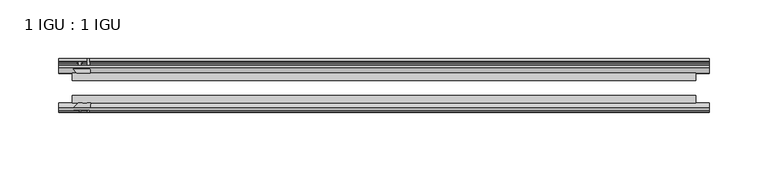
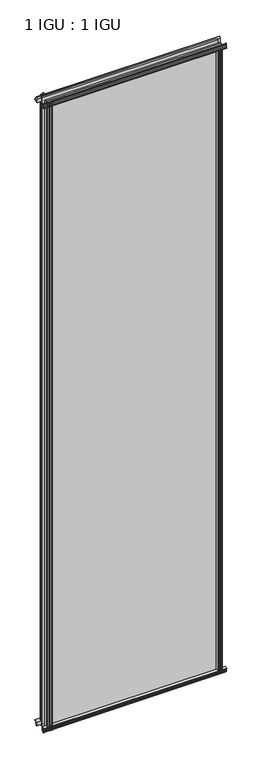
"""IFC4 building model written with IfcOpenShell, lengths in millimetres: plate geometry, 1 IGU : 1 IGU."""

import ifcopenshell
import ifcopenshell.guid

model = None  # the IFC model being written
_history = None  # IfcOwnerHistory: only IFC2X3 demands one
_inside = {}  # id of a spatial element -> (the spatial element, [elements in it])
_under = {}  # id of a project, library or spatial element -> (it, [spatial elements below it])
_declared = {}  # id of a project -> (the project, [libraries it declares])
_typed = {}  # id of a type object -> (the type object, [elements of that type])
_made_of = {}  # id of a material, layer set ... -> (it, [elements and type objects made of it])


def new_model(schema):
    """Start an empty IFC model of exactly this schema.

    Asked for "IFC4X3", IfcOpenShell would pick the latest addendum, in which some entities
    have other attributes; the version numbers below select the first issue.
    IFC2X3 requires an IfcOwnerHistory on every rooted entity: one is made here for all.
    """
    global model, _history
    if schema == "IFC4X3":
        model = ifcopenshell.file(schema_version=(4, 3, 0, 0))
    else:
        model = ifcopenshell.file(schema=schema)
    _inside.clear()
    _under.clear()
    _declared.clear()
    _typed.clear()
    _made_of.clear()
    _history = None
    if model.schema == "IFC2X3":
        org = make("IfcOrganization", Name="unknown")
        user = make(
            "IfcPersonAndOrganization",
            ThePerson=make("IfcPerson", FamilyName="unknown"),
            TheOrganization=org,
        )
        app = make(
            "IfcApplication",
            ApplicationDeveloper=org,
            Version="unknown",
            ApplicationFullName="unknown",
            ApplicationIdentifier="unknown",
        )
        _history = make(
            "IfcOwnerHistory",
            OwningUser=user,
            OwningApplication=app,
            ChangeAction="ADDED",
            CreationDate=0,
        )
    return model


def make(cls, **values):
    """One entity of the class cls with the attributes given. An attribute that is None is left unset."""
    return model.create_entity(
        cls, **{name: value for name, value in values.items() if value is not None}
    )


def rooted(cls, **values):
    """An entity with a GlobalId (a new one), such as an element, a storey or a relation."""
    return make(cls, GlobalId=ifcopenshell.guid.new(), OwnerHistory=_history, **values)


def si_unit(unit_type, name, prefix=None):
    """IfcSIUnit, for example si_unit("LENGTHUNIT", "METRE", prefix="MILLI")."""
    return make("IfcSIUnit", UnitType=unit_type, Prefix=prefix, Name=name)


def assignment(units):
    """IfcUnitAssignment: the units of a project."""
    return None if units is None else make("IfcUnitAssignment", Units=units)


def point(xyz):
    """IfcCartesianPoint."""
    return None if xyz is None else make("IfcCartesianPoint", Coordinates=xyz)


def direction(xyz):
    """IfcDirection."""
    return None if xyz is None else make("IfcDirection", DirectionRatios=xyz)


def frame(location, z_axis=None, x_axis=None):
    """IfcAxis2Placement3D, a coordinate frame: its origin and axes. An axis left out is left unset."""
    return make(
        "IfcAxis2Placement3D",
        Location=point(location),
        Axis=direction(z_axis),
        RefDirection=direction(x_axis),
    )


def frame_2d(location, x_axis=None):
    """IfcAxis2Placement2D, a coordinate frame in the plane: its origin and x axis."""
    return make(
        "IfcAxis2Placement2D", Location=point(location), RefDirection=direction(x_axis)
    )


def origin():
    """The frame at (0, 0, 0) with its axes left unset."""
    return frame((0.0, 0.0, 0.0))


def origin_with_axes():
    """The frame at (0, 0, 0) with the z axis (0, 0, 1) and the x axis (1, 0, 0) written out."""
    return frame((0.0, 0.0, 0.0), z_axis=(0.0, 0.0, 1.0), x_axis=(1.0, 0.0, 0.0))


def place(relative_to, where):
    """IfcLocalPlacement: puts the frame where relative to a parent placement (None: the world)."""
    return make(
        "IfcLocalPlacement", PlacementRelTo=relative_to, RelativePlacement=where
    )


def context(
    kind, dimensions, precision=None, world=None, true_north=None, identifier=None
):
    """IfcGeometricRepresentationContext, for example the 3D "Model" context."""
    return make(
        "IfcGeometricRepresentationContext",
        ContextIdentifier=identifier,
        ContextType=kind,
        CoordinateSpaceDimension=dimensions,
        Precision=precision,
        WorldCoordinateSystem=world,
        TrueNorth=true_north,
    )


def project(units=None, contexts=None):
    """IfcProject with its units and contexts."""
    return rooted(
        "IfcProject",
        Name="project",
        RepresentationContexts=contexts,
        UnitsInContext=assignment(units),
    )


def spatial(cls, under=None, at=None, **own):
    """A site, building, storey or space (cls), placed at a placement, below another one or the project."""
    s = rooted(cls, ObjectPlacement=at, **own)
    if under is not None:
        _under.setdefault(under.id(), (under, []))[1].append(s)
    return s


def polyline(points):
    """IfcPolyline through the points."""
    return make("IfcPolyline", Points=[point(p) for p in points])


def circle_curve(where, radius):
    """IfcCircle in the frame where."""
    return make("IfcCircle", Position=where, Radius=radius)


def trimmed(basis, trim1, trim2, sense, master):
    """IfcTrimmedCurve: the piece of a basis curve between two trims."""
    return make(
        "IfcTrimmedCurve",
        BasisCurve=basis,
        Trim1=trim1,
        Trim2=trim2,
        SenseAgreement=sense,
        MasterRepresentation=master,
    )


def segment(curve, same_sense, transition):
    """IfcCompositeCurveSegment."""
    return make(
        "IfcCompositeCurveSegment",
        Transition=transition,
        SameSense=same_sense,
        ParentCurve=curve,
    )


def composite_curve(segments, self_intersect=None):
    """IfcCompositeCurve: segments joined end to end."""
    return make("IfcCompositeCurve", Segments=segments, SelfIntersect=self_intersect)


def outline(outer, holes=None, kind="AREA"):
    """IfcArbitraryClosedProfileDef: a profile drawn as a closed curve; with holes, ...WithVoids."""
    if holes is None:
        return make("IfcArbitraryClosedProfileDef", ProfileType=kind, OuterCurve=outer)
    return make(
        "IfcArbitraryProfileDefWithVoids",
        ProfileType=kind,
        OuterCurve=outer,
        InnerCurves=holes,
    )


def extrude(swept, where, along, depth):
    """IfcExtrudedAreaSolid: the profile swept, set in the frame where, extruded along a direction by depth."""
    return make(
        "IfcExtrudedAreaSolid",
        SweptArea=swept,
        Position=where,
        ExtrudedDirection=direction(along),
        Depth=depth,
    )


def shape(context_of_items, identifier, shape_type, items):
    """IfcShapeRepresentation: the items that make up one representation, for example the "Body"."""
    return make(
        "IfcShapeRepresentation",
        ContextOfItems=context_of_items,
        RepresentationIdentifier=identifier,
        RepresentationType=shape_type,
        Items=items,
    )


def source(mapping_origin, context_of_items, identifier, shape_type, items):
    """IfcRepresentationMap: a shape defined once, which mapped items show again and again."""
    return make(
        "IfcRepresentationMap",
        MappingOrigin=mapping_origin,
        MappedRepresentation=shape(context_of_items, identifier, shape_type, items),
    )


def transform(
    local_origin,
    x_axis=None,
    y_axis=None,
    z_axis=None,
    scale=None,
    scale2=None,
    scale3=None,
    uniform=True,
):
    """IfcCartesianTransformationOperator3D, or its non-uniform kind. x_axis, y_axis, z_axis: its Axis1, 2, 3."""
    if uniform:
        return make(
            "IfcCartesianTransformationOperator3D",
            Axis1=direction(x_axis),
            Axis2=direction(y_axis),
            LocalOrigin=point(local_origin),
            Scale=scale,
            Axis3=direction(z_axis),
        )
    return make(
        "IfcCartesianTransformationOperator3DnonUniform",
        Axis1=direction(x_axis),
        Axis2=direction(y_axis),
        LocalOrigin=point(local_origin),
        Scale=scale,
        Axis3=direction(z_axis),
        Scale2=scale2,
        Scale3=scale3,
    )


def mapped(mapping_source, mapping_target):
    """IfcMappedItem: shows the shape of a source again, moved by a transform."""
    return make(
        "IfcMappedItem", MappingSource=mapping_source, MappingTarget=mapping_target
    )


def made_of(thing, what):
    """Note that an element or type object is made of a material, layer set ...; save() writes the relation."""
    if what is not None:
        _made_of.setdefault(what.id(), (what, []))[1].append(thing)
    return thing


def element(
    cls,
    number,
    at=None,
    inside=None,
    cuts=None,
    type_object=None,
    material=None,
    context=None,
    identifier="Body",
    shape_type=None,
    held_by="IfcProductDefinitionShape",
    body=None,
    shapes=None,
    **own,
):
    """One element of the class cls, such as IfcWall. Its Tag is "e" and its number.

    at: its placement. inside: the storey or other place that contains it. cuts: it is an
    opening in that element (IfcRelVoidsElement). A single representation is given by context,
    identifier, shape_type and body (its items); several are given by shapes. held_by: the class
    of the entity that holds the representations. save() writes the other relations.
    """
    e = rooted(cls, Tag="e%d" % number, ObjectPlacement=at, **own)
    if body is not None:
        shapes = [shape(context, identifier, shape_type, body)]
    if shapes is not None:
        e.Representation = make(held_by, Representations=shapes)
    if inside is not None:
        _inside.setdefault(inside.id(), (inside, []))[1].append(e)
    if cuts is not None:
        rooted(
            "IfcRelVoidsElement", RelatingBuildingElement=cuts, RelatedOpeningElement=e
        )
    if type_object is not None:
        _typed.setdefault(type_object.id(), (type_object, []))[1].append(e)
    return made_of(e, material)


def aggregate(whole, parts):
    """IfcRelAggregates: a whole, such as a stair, and the parts it consists of."""
    return rooted("IfcRelAggregates", RelatingObject=whole, RelatedObjects=parts)


def save(model, path):
    """Write the relations noted so far, then the file.

    IfcRelAggregates (storeys below a building ...), IfcRelContainedInSpatialStructure (elements
    in a storey), IfcRelDefinesByType, IfcRelAssociatesMaterial and IfcRelDeclares: one each for
    every whole, place, type object, material and project.
    """
    for whole, parts in _under.values():
        aggregate(whole, parts)
    for where, things in _inside.values():
        rooted(
            "IfcRelContainedInSpatialStructure",
            RelatedElements=things,
            RelatingStructure=where,
        )
    for kind, things in _typed.values():
        rooted("IfcRelDefinesByType", RelatedObjects=things, RelatingType=kind)
    for what, things in _made_of.values():
        rooted("IfcRelAssociatesMaterial", RelatedObjects=things, RelatingMaterial=what)
    for by, libraries in _declared.values():
        rooted("IfcRelDeclares", RelatingContext=by, RelatedDefinitions=libraries)
    model.write(path)


def plate_1_igu_1_igu_e53e3691(model_context):
    return source(origin(), model_context, "Body", "SweptSolid", [
        extrude(outline(polyline([(-24.9039062, 2.5763839), (-12.2039062, 1.5739665), (-12.2039062, 0.0), (-18.5539062, 0.0), (-18.5539062, -4.953), (-16.254502, -5.5691235), (-16.6301757, -4.1670901), (-15.7714677, -3.937), (-15.1249062, -6.35), (-15.7714677, -8.763), (-16.6301757, -8.5329099), (-16.254502, -7.1308765), (-18.5539062, -7.747), (-18.5539062, -12.7), (-20.5859062, -12.7), (-24.9039062, -9.1036931), (-24.9039062, 2.5763839)])), frame((-278.0153585, 0.0, 0.0), z_axis=(1.0, 0.0, 0.0), x_axis=(0.0, 1.0, 0.0)), (0.0, 0.0, 1.0), 556.030717),
        extrude(outline(composite_curve([segment(polyline([(-58.2287402, 1.5687054), (-50.3039062, 3.0983599), (-50.3039062, -7.92383), (-54.4858806, -12.1058044)]), True, "CONTINUOUS"), segment(trimmed(circle_curve(frame_2d((-55.3839062, -11.2077788)), 1.27), [point((-54.4858806, -12.1058044))], [point((-56.6539062, -11.2077788))], False, "CARTESIAN"), True, "CONTINUOUS"), segment(polyline([(-56.6539062, -11.2077788), (-56.6539062, -8.0327788), (-58.1332022, -5.4488186), (-56.6539062, -5.1879788), (-56.6539062, 0.2222212), (-58.2287402, 0.0), (-58.2287402, 1.5687054)]), True, "CONTINUOUS")], self_intersect=False)), frame((-278.0153585, 0.0, 0.0), z_axis=(1.0, 0.0, 0.0), x_axis=(0.0, 1.0, 0.0)), (0.0, 0.0, 1.0), 556.030717),
        extrude(outline(polyline([(-18.5539063, 2001.656525), (-16.254502, 2001.0404015), (-16.6301757, 2002.4424349), (-15.7714677, 2002.672525), (-15.1249063, 2000.259525), (-15.7714677, 1997.846525), (-16.6301757, 1998.0766151), (-16.254502, 1999.4786485), (-18.5539063, 1998.862525), (-18.5539063, 1993.909525), (-12.2039062, 1993.909525), (-12.2039062, 1992.3355585), (-24.9039063, 1991.3331411), (-24.9039063, 2003.0132181), (-20.5859063, 2006.609525), (-18.5539063, 2006.609525), (-18.5539063, 2001.656525)])), frame((-278.0153585, 0.0, 0.0), z_axis=(1.0, 0.0, 0.0), x_axis=(0.0, 1.0, 0.0)), (0.0, 0.0, 1.0), 556.030717),
        extrude(outline(composite_curve([segment(polyline([(-50.3039063, 2001.833355), (-50.3039063, 1990.8111651), (-58.2287402, 1992.3408196), (-58.2287402, 1993.909525), (-56.6539063, 1993.6873038), (-56.6539063, 1999.0975038), (-58.1332023, 1999.3583436), (-56.6539063, 2001.9423038), (-56.6539063, 2005.1173038)]), True, "CONTINUOUS"), segment(trimmed(circle_curve(frame_2d((-55.3839063, 2005.1173038)), 1.27), [point((-56.6539063, 2005.1173038))], [point((-54.4858806, 2006.0153294))], False, "CARTESIAN"), True, "CONTINUOUS"), segment(polyline([(-54.4858806, 2006.0153294), (-50.3039063, 2001.833355)]), True, "CONTINUOUS")], self_intersect=False)), frame((-278.0153585, 0.0, 0.0), z_axis=(1.0, 0.0, 0.0), x_axis=(0.0, 1.0, 0.0)), (0.0, 0.0, 1.0), 556.030717),
        extrude(outline(composite_curve([segment(polyline([(251.7225145, -57.3876965), (250.3551986, -50.3039063), (261.3773885, -50.3039063), (265.5593629, -54.4858806)]), True, "CONTINUOUS"), segment(trimmed(circle_curve(frame_2d((264.6613373, -55.3839062)), 1.27), [point((265.5593629, -54.4858806))], [point((264.6613373, -56.6539062))], False, "CARTESIAN"), True, "CONTINUOUS"), segment(polyline([(264.6613373, -56.6539062), (261.4863373, -56.6539063), (258.9023771, -58.1332023), (258.6415373, -56.6539063), (253.2313373, -56.6539063), (253.4535585, -58.2287402), (252.4892377, -58.2014026)]), True, "CONTINUOUS"), segment(trimmed(circle_curve(frame_2d((252.7233373, -57.2127402)), 1.016), [point((252.4892377, -58.2014026))], [point((251.7225145, -57.3876965))], False, "CARTESIAN"), True, "CONTINUOUS")], self_intersect=False)), origin_with_axes(), (0.0, 0.0, 1.0), 1994.3064),
        extrude(outline(polyline([(258.4065585, -18.5539062), (259.022682, -16.254502), (257.6206486, -16.6301757), (257.3905585, -15.7714677), (259.8035585, -15.1249062), (262.2165585, -15.7714677), (261.9864684, -16.6301757), (260.584435, -16.254502), (261.2005585, -18.5539062), (266.1535585, -18.5539062), (266.1535585, -20.5859063), (262.5572516, -24.9039063), (250.8771746, -24.9039063), (251.8795919, -12.2039062), (253.4535585, -12.2039062), (253.4535585, -18.5539062), (258.4065585, -18.5539062)])), origin_with_axes(), (0.0, 0.0, 1.0), 1994.3064),
        extrude(outline(composite_curve([segment(polyline([(-261.4863373, -56.6539062), (-264.6613373, -56.6539062)]), True, "CONTINUOUS"), segment(trimmed(circle_curve(frame_2d((-264.6613373, -55.3839062)), 1.27), [point((-264.6613373, -56.6539062))], [point((-265.5593629, -54.4858806))], False, "CARTESIAN"), True, "CONTINUOUS"), segment(polyline([(-265.5593629, -54.4858806), (-261.3773885, -50.3039062), (-257.707843, -50.3039062)]), True, "CONTINUOUS"), segment(trimmed(circle_curve(frame_2d((-255.6443373, -46.3669062)), 4.445), [point((-257.707843, -50.3039062))], [point((-253.5808315, -50.3039062))], True, "CARTESIAN"), True, "CONTINUOUS"), segment(polyline([(-253.5808315, -50.3039062), (-250.3551986, -50.3039062), (-251.884853, -58.2287402), (-253.4535585, -58.2287402), (-253.2313373, -56.6539062), (-258.6415373, -56.6539062), (-258.9023771, -58.1332022), (-261.4863373, -56.6539062)]), True, "CONTINUOUS")], self_intersect=False)), frame((0.0, 0.0, -12.7), z_axis=(0.0, 0.0, 1.0), x_axis=(1.0, 0.0, 0.0)), (0.0, 0.0, 1.0), 2019.309525),
        extrude(outline(polyline([(-250.8771746, -24.9039062), (-262.5572516, -24.9039062), (-266.1535585, -20.5859062), (-266.1535585, -18.5539062), (-261.2005585, -18.5539062), (-260.584435, -16.254502), (-261.9864684, -16.6301757), (-262.2165585, -15.7714677), (-259.8035585, -15.1249062), (-257.3905585, -15.7714677), (-257.6206486, -16.6301757), (-259.022682, -16.254502), (-258.4065585, -18.5539062), (-253.4535585, -18.5539062), (-253.4535585, -12.2039062), (-251.8795919, -12.2039062), (-250.8771746, -24.9039062)])), frame((0.0, 0.0, -12.7), z_axis=(0.0, 0.0, 1.0), x_axis=(1.0, 0.0, 0.0)), (0.0, 0.0, 1.0), 2019.309525),
        extrude(outline(polyline([(266.1535585, -24.9039062), (266.1535585, -31.2031063), (-266.1535585, -31.2031063), (-266.1535585, -24.9039062), (266.1535585, -24.9039062)])), frame((0.0, 0.0, -12.7), z_axis=(0.0, 0.0, 1.0), x_axis=(1.0, 0.0, 0.0)), (0.0, 0.0, 1.0), 2019.309525),
        extrude(outline(polyline([(-266.1535585, -44.0047063), (266.1535585, -44.0047063), (266.1535585, -50.3039062), (-266.1535585, -50.3039062), (-266.1535585, -44.0047063)])), frame((0.0, 0.0, -12.7), z_axis=(0.0, 0.0, 1.0), x_axis=(1.0, 0.0, 0.0)), (0.0, 0.0, 1.0), 2019.309525),
    ])


if __name__ == "__main__":
    model = new_model("IFC4")
    model_context = context("Model", 3, world=origin())
    ifc_project = project(units=[si_unit("LENGTHUNIT", "METRE", prefix="MILLI")], contexts=[model_context])
    site = spatial("IfcSite", under=ifc_project)
    building = spatial("IfcBuilding", under=site)
    placement = place(None, origin())
    plate_1_igu_1_igu_shape = plate_1_igu_1_igu_e53e3691(model_context)
    element("IfcPlate", 1, ObjectType="1 IGU : 1 IGU", at=placement, inside=building, context=model_context, shape_type="MappedRepresentation", body=[
        mapped(plate_1_igu_1_igu_shape, transform((0.0, 0.0, 0.0), x_axis=(1.0, 0.0, 0.0), y_axis=(0.0, 1.0, 0.0), z_axis=(0.0, 0.0, 1.0))),
    ])
    save(model, "model.ifc")
